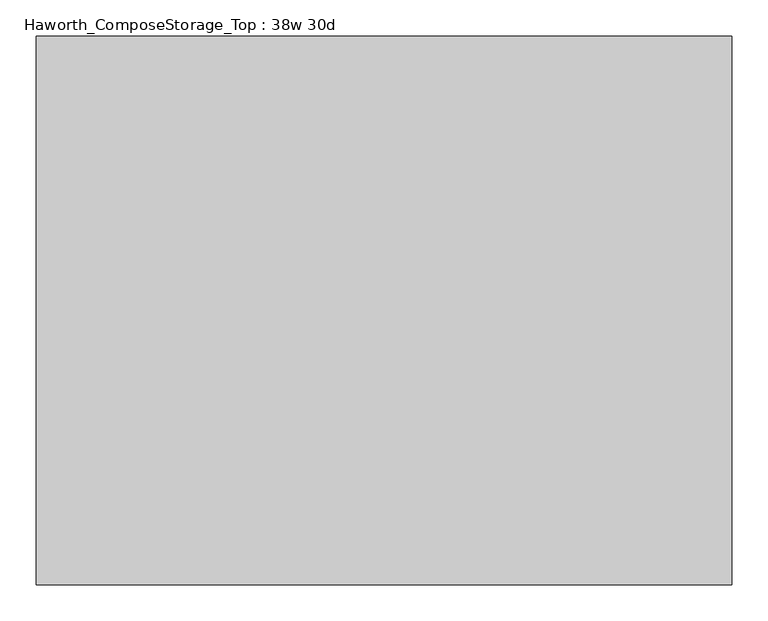
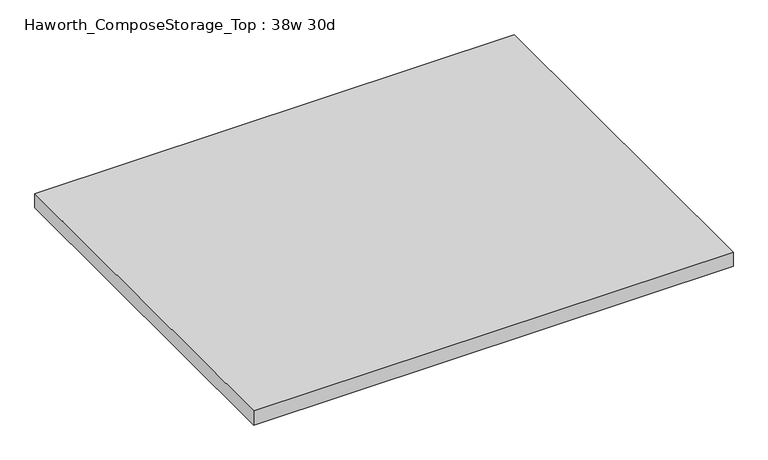
"""IFC4 building model written with IfcOpenShell, lengths in millimetres: furniture geometry, Haworth_ComposeStorage_Top : 38w 30d."""

from ifc_helpers import new_model, si_unit, frame, origin, place, context, project, spatial, polyline, outline, extrude, source, transform, mapped, element, save


def haworth_composestorage_top_38w_30d_465af32c(model_context):
    return source(origin(), model_context, "Body", "SweptSolid", [
        extrude(outline(polyline([(482.6, 381.0), (482.6, -381.0), (-482.6, -381.0), (-482.6, 381.0), (482.6, 381.0)])), frame((0.0, 0.0, 706.4375), z_axis=(0.0, 0.0, 1.0), x_axis=(1.0, 0.0, 0.0)), (0.0, 0.0, 1.0), 30.1625),
    ])


if __name__ == "__main__":
    model = new_model("IFC4")
    model_context = context("Model", 3, world=origin())
    ifc_project = project(units=[si_unit("LENGTHUNIT", "METRE", prefix="MILLI")], contexts=[model_context])
    site = spatial("IfcSite", under=ifc_project)
    building = spatial("IfcBuilding", under=site)
    placement = place(None, origin())
    haworth_composestorage_top_38w_30d_shape = haworth_composestorage_top_38w_30d_465af32c(model_context)
    element("IfcFurniture", 1, ObjectType="Haworth_ComposeStorage_Top : 38w 30d", at=placement, inside=building, context=model_context, shape_type="MappedRepresentation", body=[
        mapped(haworth_composestorage_top_38w_30d_shape, transform((0.0, 0.0, 0.0), x_axis=(1.0, 0.0, 0.0), y_axis=(0.0, 1.0, 0.0), z_axis=(0.0, 0.0, 1.0))),
    ])
    save(model, "model.ifc")
